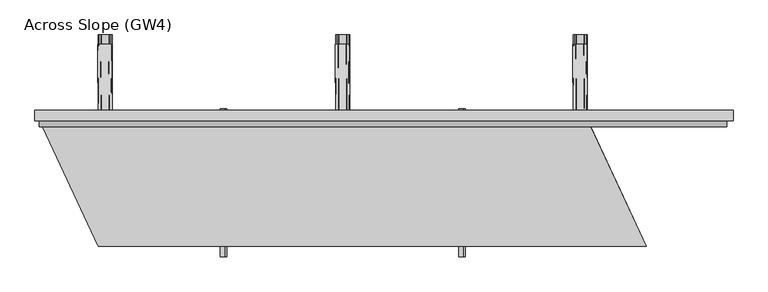
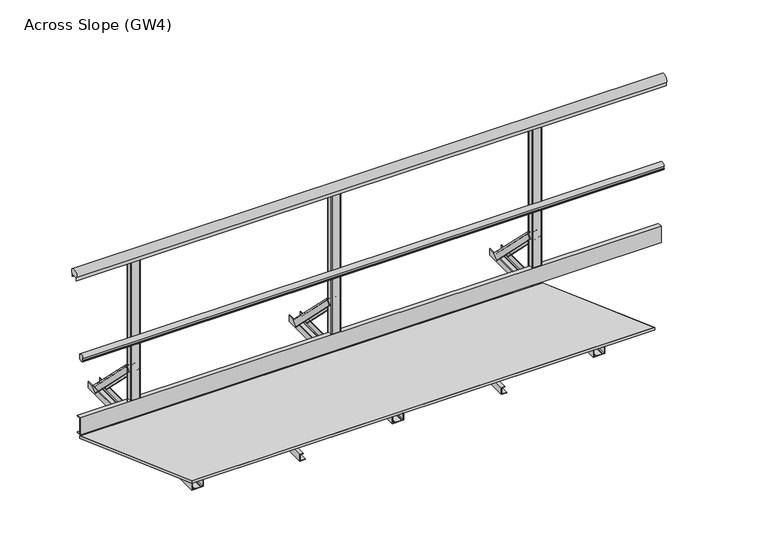
"""IFC4 building model written with IfcOpenShell, lengths in millimetres: proxy geometry, Across Slope (GW4)."""

from ifc_helpers import new_model, si_unit, point, frame, frame_2d, origin, origin_with_axes, place, context, project, spatial, polyline, circle_curve, trimmed, segment, composite_curve, outline, extrude, source, transform, mapped, element, save
from ifc_brep_helpers import plane_surface, extruded_surface, advanced_brep


def across_slope_gw4_d90a7bcf(model_context):
    return source(origin(), model_context, "Body", "SolidModel", [
        extrude(outline(polyline([(622.0, 63.0), (597.0, 63.0), (597.0, 163.0), (622.0, 163.0), (622.0, 160.0), (600.0, 160.0), (600.0, 66.0), (622.0, 66.0), (622.0, 63.0)])), frame((0.0, 0.0, 0.0), z_axis=(1.0, 0.0, 0.0), x_axis=(0.0, 1.0, 0.0)), (0.0, 0.0, 1.0), 3252.9381096),
        extrude(outline(composite_curve([segment(polyline([(565.7, 520.617273), (569.7, 520.617273), (569.7, 535.382727), (565.7, 535.382727)]), True, "CONTINUOUS"), segment(trimmed(circle_curve(frame_2d((584.287505, 528.0)), 20.0), [point((565.7, 535.382727))], [point((600.0, 540.3740657))], False, "CARTESIAN"), True, "CONTINUOUS"), segment(polyline([(600.0, 540.3740657), (600.0, 515.6259343)]), True, "CONTINUOUS"), segment(trimmed(circle_curve(frame_2d((584.287505, 528.0)), 20.0), [point((600.0, 515.6259343))], [point((565.7, 520.617273))], False, "CARTESIAN"), True, "CONTINUOUS")], self_intersect=False)), frame((0.0, 0.0, 0.0), z_axis=(1.0, 0.0, 0.0), x_axis=(0.0, 1.0, 0.0)), (0.0, 0.0, 1.0), 3252.9381096),
        extrude(outline(composite_curve([segment(polyline([(640.0, 1001.43534), (640.0, 983.0), (639.0, 983.0), (639.0, 998.0), (599.0, 998.0), (599.0, 983.0), (598.0, 983.0), (598.0, 1001.43534)]), True, "CONTINUOUS"), segment(trimmed(circle_curve(frame_2d((619.0, 1015.0)), 25.0), [point((598.0, 1001.43534))], [point((640.0, 1001.43534))], False, "CARTESIAN"), True, "CONTINUOUS")], self_intersect=False)), frame((-20.0, 0.0, 0.0), z_axis=(1.0, 0.0, 0.0), x_axis=(0.0, 1.0, 0.0)), (0.0, 0.0, 1.0), 3302.9381096),
        extrude(outline(polyline([(2e-07, 2015.7035822), (2.0000002, 2015.7035822), (2.0000002, 1987.7035822), (38.0000002, 1987.7035822), (38.0000002, 2005.7035822), (40.0000002, 2005.7035822), (40.0000002, 1985.7035822), (2e-07, 1985.7035822), (2e-07, 2015.7035822)])), frame((0.0, -50.0, 0.0), z_axis=(0.0, 1.0, 0.0), x_axis=(0.0, 0.0, 1.0)), (0.0, 0.0, 1.0), 700.0),
        extrude(outline(polyline([(2e-07, 887.2345274), (2.0000002, 887.2345274), (2.0000002, 859.2345274), (38.0000002, 859.2345274), (38.0000002, 877.2345274), (40.0000002, 877.2345274), (40.0000002, 857.2345274), (2e-07, 857.2345274), (2e-07, 887.2345274)])), frame((0.0, -50.0, 0.0), z_axis=(0.0, 1.0, 0.0), x_axis=(0.0, 0.0, 1.0)), (0.0, 0.0, 1.0), 700.0),
        extrude(outline(composite_curve([segment(polyline([(1459.4690548, 600.0), (1413.4690548, 600.0)]), True, "CONTINUOUS"), segment(trimmed(circle_curve(frame_2d((1413.4690548, 605.0)), 5.0), [point((1413.4690548, 600.0))], [point((1408.4690548, 605.0))], False, "CARTESIAN"), True, "CONTINUOUS"), segment(polyline([(1408.4690548, 605.0), (1408.4690548, 633.0)]), True, "CONTINUOUS"), segment(trimmed(circle_curve(frame_2d((1413.4690548, 633.0)), 5.0), [point((1408.4690548, 633.0))], [point((1413.4690548, 638.0))], False, "CARTESIAN"), True, "CONTINUOUS"), segment(polyline([(1413.4690548, 638.0), (1459.4690548, 638.0)]), True, "CONTINUOUS"), segment(trimmed(circle_curve(frame_2d((1459.4690548, 633.0)), 5.0), [point((1459.4690548, 638.0))], [point((1464.4690548, 633.0))], False, "CARTESIAN"), True, "CONTINUOUS"), segment(polyline([(1464.4690548, 633.0), (1464.4690548, 605.0)]), True, "CONTINUOUS"), segment(trimmed(circle_curve(frame_2d((1459.4690548, 605.0)), 5.0), [point((1464.4690548, 605.0))], [point((1459.4690548, 600.0))], False, "CARTESIAN"), True, "CONTINUOUS")], self_intersect=False)), origin_with_axes(), (0.0, 0.0, 1.0), 998.0),
        advanced_brep(
        [(1400.9690548, 956.2087394, 38.0), (1465.9690548, 956.2087394, 38.0), (1465.9690548, 930.3993419, 12.1906025), (1462.9690548, 930.3993419, 12.1906025), (1462.9690548, 954.0874191, 35.8786797), (1452.9690548, 954.0874191, 35.8786797), (1452.9690548, 952.3196521, 34.1109127), (1451.9690548, 952.3196521, 34.1109127), (1451.9690548, 954.0874191, 35.8786797), (1414.9690548, 954.0874191, 35.8786797), (1414.9690548, 952.3196521, 34.1109127), (1413.9690548, 952.3196521, 34.1109127), (1413.9690548, 954.0874191, 35.8786797), (1403.9690548, 954.0874191, 35.8786797), (1403.9690548, 930.3993419, 12.1906025), (1400.9690548, 930.3993419, 12.1906025), (1403.9690548, 638.0106879, 356.1980516), (1403.9690548, 612.2012904, 330.3886541), (1406.9690548, 612.2012904, 330.3886541), (1406.9690548, 635.8893676, 354.0767312), (1416.9690548, 635.8893676, 354.0767312), (1416.9690548, 634.1216006, 352.3089643), (1417.9690548, 634.1216006, 352.3089643), (1417.9690548, 635.8893676, 354.0767312), (1454.9690548, 635.8893676, 354.0767312), (1454.9690548, 634.1216006, 352.3089643), (1455.9690548, 634.1216006, 352.3089643), (1455.9690548, 635.8893676, 354.0767312), (1465.9690548, 635.8893676, 354.0767312), (1465.9690548, 612.2012904, 330.3886541), (1468.9690548, 612.2012904, 330.3886541), (1468.9690548, 638.0106879, 356.1980516)],
        [
            (0, 1),
            (1, 2),
            (2, 3, circle_curve(frame((1464.4690548, 930.3993419, 12.1906025), z_axis=(0.0, 0.7071067811865434, -0.7071067811865518), x_axis=(0.0, -0.7071067811865518, -0.7071067811865434)), 1.5)),
            (3, 4),
            (4, 5),
            (5, 6),
            (6, 7, circle_curve(frame((1452.4690548, 952.3196521, 34.1109127), z_axis=(0.0, 0.7071067811865434, -0.7071067811865518), x_axis=(0.0, -0.7071067811865518, -0.7071067811865434)), 0.5)),
            (7, 8),
            (8, 9),
            (9, 10),
            (10, 11, circle_curve(frame((1414.4690548, 952.3196521, 34.1109127), z_axis=(0.0, 0.7071067811865434, -0.7071067811865518), x_axis=(0.0, -0.7071067811865518, -0.7071067811865434)), 0.5)),
            (11, 12),
            (12, 13),
            (13, 14),
            (14, 15, circle_curve(frame((1402.4690548, 930.3993419, 12.1906025), z_axis=(0.0, 0.7071067811865434, -0.7071067811865518), x_axis=(0.0, -0.7071067811865518, -0.7071067811865434)), 1.5)),
            (15, 0),
            (16, 17),
            (17, 18, circle_curve(frame((1405.4690548, 612.2012904, 330.3886541), z_axis=(0.0, -0.7071067811865434, 0.7071067811865518), x_axis=(0.0, -0.7071067811865518, -0.7071067811865434)), 1.5)),
            (18, 19),
            (19, 20),
            (20, 21),
            (21, 22, circle_curve(frame((1417.4690548, 634.1216006, 352.3089643), z_axis=(0.0, -0.7071067811865434, 0.7071067811865518), x_axis=(0.0, -0.7071067811865518, -0.7071067811865434)), 0.5)),
            (22, 23),
            (23, 24),
            (24, 25),
            (25, 26, circle_curve(frame((1455.4690548, 634.1216006, 352.3089643), z_axis=(0.0, -0.7071067811865434, 0.7071067811865518), x_axis=(0.0, -0.7071067811865518, -0.7071067811865434)), 0.5)),
            (26, 27),
            (27, 28),
            (28, 29),
            (29, 30, circle_curve(frame((1467.4690548, 612.2012904, 330.3886541), z_axis=(0.0, -0.7071067811865434, 0.7071067811865518), x_axis=(0.0, -0.7071067811865518, -0.7071067811865434)), 1.5)),
            (30, 31),
            (31, 16),
            (16, 0),
            (15, 17),
            (14, 18),
            (13, 19),
            (12, 20),
            (11, 21),
            (10, 22),
            (9, 23),
            (8, 24),
            (7, 25),
            (6, 26),
            (5, 27),
            (4, 28),
            (3, 29),
            (2, 30),
            (1, 31),
        ],
        [
            plane_surface(frame((1433.4690548, 947.9886231, 29.7798837), z_axis=(0.0, 0.7071067811865431, -0.7071067811865519), x_axis=(0.0, -0.7071067811865519, -0.7071067811865431))),
            plane_surface(frame((1436.4690548, 629.7905716, 347.9779352), z_axis=(0.0, -0.7071067811865432, 0.7071067811865518), x_axis=(0.0, -0.7071067811865518, -0.7071067811865432))),
            plane_surface(frame((1403.9690548, 625.1059891, 343.2933528), z_axis=(-0.9999777785184911, -0.004713940454842056, 0.00471394045484199), x_axis=(0.0, -0.7071067811865519, -0.7071067811865431))),
            extruded_surface(trimmed(circle_curve(frame((1402.4690548, 930.3993419, 12.1906025), z_axis=(0.0, -0.7071067811865434, 0.7071067811865518), x_axis=(0.0, -0.7071067811865518, -0.7071067811865434)), 1.5), [point((1400.9690548, 930.3993419, 12.1906025))], [point((1403.9690548, 930.3993419, 12.1906025))], True, "CARTESIAN"), (3.0, -318.1980515, 318.1980516), 450.0099999115941),
            plane_surface(frame((1406.9690548, 624.045329, 342.2326926), z_axis=(0.9999777785184913, 0.004713940454842056, -0.004713940454841989), x_axis=(0.0, 0.707106781186552, 0.7071067811865432))),
            plane_surface(frame((1411.9690548, 635.8893676, 354.0767312), z_axis=(0.0, -0.7071067811865522, -0.7071067811865428), x_axis=(1.0, 0.0, 0.0))),
            plane_surface(frame((1416.9690548, 635.0054841, 353.1928478), z_axis=(-0.9999777785184911, -0.004713940454842032, 0.004713940454842015), x_axis=(0.0, -0.7071067811865557, -0.7071067811865394))),
            extruded_surface(trimmed(circle_curve(frame((1414.4690548, 952.3196521, 34.1109127), z_axis=(0.0, -0.7071067811865434, 0.7071067811865518), x_axis=(0.0, -0.7071067811865518, -0.7071067811865434)), 0.5), [point((1413.9690548, 952.3196521, 34.1109127))], [point((1414.9690548, 952.3196521, 34.1109127))], True, "CARTESIAN"), (3.0, -318.1980515, 318.1980516), 450.0099999115941),
            plane_surface(frame((1417.9690548, 635.0054841, 353.1928478), z_axis=(0.9999777785184911, 0.004713940454842046, -0.004713940454842029), x_axis=(0.0, 0.7071067811865557, 0.7071067811865394))),
            plane_surface(frame((1436.4690548, 635.8893676, 354.0767312), z_axis=(0.0, -0.7071067811865522, -0.7071067811865428), x_axis=(1.0, 0.0, 0.0))),
            plane_surface(frame((1454.9690548, 635.0054841, 353.1928478), z_axis=(-0.9999777785184911, -0.004713940454842039, 0.004713940454842022), x_axis=(0.0, -0.7071067811865557, -0.7071067811865394))),
            extruded_surface(trimmed(circle_curve(frame((1452.4690548, 952.3196521, 34.1109127), z_axis=(0.0, -0.7071067811865434, 0.7071067811865518), x_axis=(0.0, -0.7071067811865518, -0.7071067811865434)), 0.5), [point((1451.9690548, 952.3196521, 34.1109127))], [point((1452.9690548, 952.3196521, 34.1109127))], True, "CARTESIAN"), (3.0, -318.1980515, 318.1980516), 450.0099999115941),
            plane_surface(frame((1455.9690548, 635.0054841, 353.1928478), z_axis=(0.9999777785184911, 0.004713940454842066, -0.004713940454841993), x_axis=(0.0, 0.7071067811865515, 0.7071067811865436))),
            plane_surface(frame((1460.9690548, 635.8893676, 354.0767312), z_axis=(0.0, -0.707106781186552, -0.707106781186543), x_axis=(1.0, 0.0, 0.0))),
            plane_surface(frame((1465.9690548, 624.045329, 342.2326926), z_axis=(-0.9999777785184913, -0.004713940454842063, 0.004713940454841996), x_axis=(0.0, -0.707106781186552, -0.7071067811865432))),
            extruded_surface(trimmed(circle_curve(frame((1464.4690548, 930.3993419, 12.1906025), z_axis=(0.0, -0.7071067811865434, 0.7071067811865518), x_axis=(0.0, -0.7071067811865518, -0.7071067811865434)), 1.5), [point((1462.9690548, 930.3993419, 12.1906025))], [point((1465.9690548, 930.3993419, 12.1906025))], True, "CARTESIAN"), (3.0, -318.1980515, 318.1980516), 450.0099999115941),
            plane_surface(frame((1468.9690548, 625.1059891, 343.2933528), z_axis=(0.9999777785184911, 0.004713940454842065, -0.0047139404548419955), x_axis=(0.0, 0.7071067811865517, 0.7071067811865434))),
            plane_surface(frame((1436.4690548, 638.0106879, 356.1980516), z_axis=(0.0, 0.7071067811865523, 0.7071067811865427), x_axis=(-1.0, 0.0, 0.0))),
        ],
        [
            (0, [[1, 2, 3, 4, 5, 6, 7, 8, 9, 10, 11, 12, 13, 14, 15, 16]]),
            (1, [[17, 18, 19, 20, 21, 22, 23, 24, 25, 26, 27, 28, 29, 30, 31, 32]]),
            (2, [[33, -16, 34, -17]]),
            (3, [[-34, -15, 35, -18]]),
            (4, [[-35, -14, 36, -19]]),
            (5, [[-36, -13, 37, -20]]),
            (6, [[-37, -12, 38, -21]]),
            (7, [[-38, -11, 39, -22]]),
            (8, [[-39, -10, 40, -23]]),
            (9, [[-40, -9, 41, -24]]),
            (10, [[-41, -8, 42, -25]]),
            (11, [[-42, -7, 43, -26]]),
            (12, [[-43, -6, 44, -27]]),
            (13, [[-44, -5, 45, -28]]),
            (14, [[-45, -4, 46, -29]]),
            (15, [[-46, -3, 47, -30]]),
            (16, [[-47, -2, 48, -31]]),
            (17, [[-48, -1, -33, -32]]),
        ],
    ),
        extrude(outline(composite_curve([segment(polyline([(0.0, 1403.9690548), (0.0, 1468.9690548), (36.5, 1468.9690548)]), True, "CONTINUOUS"), segment(trimmed(circle_curve(frame_2d((36.5, 1467.4690548)), 1.5), [point((36.5, 1468.9690548))], [point((36.5, 1465.9690548))], False, "CARTESIAN"), True, "CONTINUOUS"), segment(polyline([(36.5, 1465.9690548), (3.0, 1465.9690548), (3.0, 1455.9690548), (5.5, 1455.9690548)]), True, "CONTINUOUS"), segment(trimmed(circle_curve(frame_2d((5.5, 1455.4690548)), 0.5), [point((5.5, 1455.9690548))], [point((5.5, 1454.9690548))], False, "CARTESIAN"), True, "CONTINUOUS"), segment(polyline([(5.5, 1454.9690548), (3.0, 1454.9690548), (3.0, 1417.9690548), (5.5, 1417.9690548)]), True, "CONTINUOUS"), segment(trimmed(circle_curve(frame_2d((5.5, 1417.4690548)), 0.5), [point((5.5, 1417.9690548))], [point((5.5, 1416.9690548))], False, "CARTESIAN"), True, "CONTINUOUS"), segment(polyline([(5.5, 1416.9690548), (3.0, 1416.9690548), (3.0, 1406.9690548), (36.5, 1406.9690548)]), True, "CONTINUOUS"), segment(trimmed(circle_curve(frame_2d((36.5, 1405.4690548)), 1.5), [point((36.5, 1406.9690548))], [point((36.5, 1403.9690548))], False, "CARTESIAN"), True, "CONTINUOUS"), segment(polyline([(36.5, 1403.9690548), (0.0, 1403.9690548)]), True, "CONTINUOUS")], self_intersect=False)), frame((0.0, 0.0, 0.0), z_axis=(0.0, 1.0, 0.0), x_axis=(0.0, 0.0, 1.0)), (0.0, 0.0, 1.0), 1000.0),
        extrude(outline(composite_curve([segment(polyline([(2583.4381096, 600.0), (2537.4381096, 600.0)]), True, "CONTINUOUS"), segment(trimmed(circle_curve(frame_2d((2537.4381096, 605.0)), 5.0), [point((2537.4381096, 600.0))], [point((2532.4381096, 605.0))], False, "CARTESIAN"), True, "CONTINUOUS"), segment(polyline([(2532.4381096, 605.0), (2532.4381096, 633.0)]), True, "CONTINUOUS"), segment(trimmed(circle_curve(frame_2d((2537.4381096, 633.0)), 5.0), [point((2532.4381096, 633.0))], [point((2537.4381096, 638.0))], False, "CARTESIAN"), True, "CONTINUOUS"), segment(polyline([(2537.4381096, 638.0), (2583.4381096, 638.0)]), True, "CONTINUOUS"), segment(trimmed(circle_curve(frame_2d((2583.4381096, 633.0)), 5.0), [point((2583.4381096, 638.0))], [point((2588.4381096, 633.0))], False, "CARTESIAN"), True, "CONTINUOUS"), segment(polyline([(2588.4381096, 633.0), (2588.4381096, 605.0)]), True, "CONTINUOUS"), segment(trimmed(circle_curve(frame_2d((2583.4381096, 605.0)), 5.0), [point((2588.4381096, 605.0))], [point((2583.4381096, 600.0))], False, "CARTESIAN"), True, "CONTINUOUS")], self_intersect=False)), origin_with_axes(), (0.0, 0.0, 1.0), 998.0),
        advanced_brep(
        [(2524.9381096, 956.2087394, 38.0), (2589.9381096, 956.2087394, 38.0), (2589.9381096, 930.3993419, 12.1906025), (2586.9381096, 930.3993419, 12.1906025), (2586.9381096, 954.0874191, 35.8786797), (2576.9381096, 954.0874191, 35.8786797), (2576.9381096, 952.3196521, 34.1109127), (2575.9381096, 952.3196521, 34.1109127), (2575.9381096, 954.0874191, 35.8786797), (2538.9381096, 954.0874191, 35.8786797), (2538.9381096, 952.3196521, 34.1109127), (2537.9381096, 952.3196521, 34.1109127), (2537.9381096, 954.0874191, 35.8786797), (2527.9381096, 954.0874191, 35.8786797), (2527.9381096, 930.3993419, 12.1906025), (2524.9381096, 930.3993419, 12.1906025), (2527.9381096, 638.0106879, 356.1980516), (2527.9381096, 612.2012904, 330.3886541), (2530.9381096, 612.2012904, 330.3886541), (2530.9381096, 635.8893676, 354.0767312), (2540.9381096, 635.8893676, 354.0767312), (2540.9381096, 634.1216006, 352.3089643), (2541.9381096, 634.1216006, 352.3089643), (2541.9381096, 635.8893676, 354.0767312), (2578.9381096, 635.8893676, 354.0767312), (2578.9381096, 634.1216006, 352.3089643), (2579.9381096, 634.1216006, 352.3089643), (2579.9381096, 635.8893676, 354.0767312), (2589.9381096, 635.8893676, 354.0767312), (2589.9381096, 612.2012904, 330.3886541), (2592.9381096, 612.2012904, 330.3886541), (2592.9381096, 638.0106879, 356.1980516)],
        [
            (0, 1),
            (1, 2),
            (2, 3, circle_curve(frame((2588.4381096, 930.3993419, 12.1906025), z_axis=(0.0, 0.7071067811865434, -0.7071067811865518), x_axis=(0.0, -0.7071067811865518, -0.7071067811865434)), 1.5)),
            (3, 4),
            (4, 5),
            (5, 6),
            (6, 7, circle_curve(frame((2576.4381096, 952.3196521, 34.1109127), z_axis=(0.0, 0.7071067811865434, -0.7071067811865518), x_axis=(0.0, -0.7071067811865518, -0.7071067811865434)), 0.5)),
            (7, 8),
            (8, 9),
            (9, 10),
            (10, 11, circle_curve(frame((2538.4381096, 952.3196521, 34.1109127), z_axis=(0.0, 0.7071067811865434, -0.7071067811865518), x_axis=(0.0, -0.7071067811865518, -0.7071067811865434)), 0.5)),
            (11, 12),
            (12, 13),
            (13, 14),
            (14, 15, circle_curve(frame((2526.4381096, 930.3993419, 12.1906025), z_axis=(0.0, 0.7071067811865434, -0.7071067811865518), x_axis=(0.0, -0.7071067811865518, -0.7071067811865434)), 1.5)),
            (15, 0),
            (16, 17),
            (17, 18, circle_curve(frame((2529.4381096, 612.2012904, 330.3886541), z_axis=(0.0, -0.7071067811865434, 0.7071067811865518), x_axis=(0.0, -0.7071067811865518, -0.7071067811865434)), 1.5)),
            (18, 19),
            (19, 20),
            (20, 21),
            (21, 22, circle_curve(frame((2541.4381096, 634.1216006, 352.3089643), z_axis=(0.0, -0.7071067811865434, 0.7071067811865518), x_axis=(0.0, -0.7071067811865518, -0.7071067811865434)), 0.5)),
            (22, 23),
            (23, 24),
            (24, 25),
            (25, 26, circle_curve(frame((2579.4381096, 634.1216006, 352.3089643), z_axis=(0.0, -0.7071067811865434, 0.7071067811865518), x_axis=(0.0, -0.7071067811865518, -0.7071067811865434)), 0.5)),
            (26, 27),
            (27, 28),
            (28, 29),
            (29, 30, circle_curve(frame((2591.4381096, 612.2012904, 330.3886541), z_axis=(0.0, -0.7071067811865434, 0.7071067811865518), x_axis=(0.0, -0.7071067811865518, -0.7071067811865434)), 1.5)),
            (30, 31),
            (31, 16),
            (16, 0),
            (15, 17),
            (14, 18),
            (13, 19),
            (12, 20),
            (11, 21),
            (10, 22),
            (9, 23),
            (8, 24),
            (7, 25),
            (6, 26),
            (5, 27),
            (4, 28),
            (3, 29),
            (2, 30),
            (1, 31),
        ],
        [
            plane_surface(frame((2557.4381096, 947.9886231, 29.7798837), z_axis=(0.0, 0.7071067811865431, -0.7071067811865519), x_axis=(0.0, -0.7071067811865519, -0.7071067811865431))),
            plane_surface(frame((2560.4381096, 629.7905716, 347.9779352), z_axis=(0.0, -0.7071067811865432, 0.7071067811865518), x_axis=(0.0, -0.7071067811865518, -0.7071067811865432))),
            plane_surface(frame((2527.9381096, 625.1059891, 343.2933528), z_axis=(-0.9999777785184911, -0.004713940454842056, 0.00471394045484199), x_axis=(0.0, -0.7071067811865519, -0.7071067811865431))),
            extruded_surface(trimmed(circle_curve(frame((2526.4381096, 930.3993419, 12.1906025), z_axis=(0.0, -0.7071067811865434, 0.7071067811865518), x_axis=(0.0, -0.7071067811865518, -0.7071067811865434)), 1.5), [point((2524.9381096, 930.3993419, 12.1906025))], [point((2527.9381096, 930.3993419, 12.1906025))], True, "CARTESIAN"), (3.0, -318.1980515, 318.1980516), 450.0099999115941),
            plane_surface(frame((2530.9381096, 624.045329, 342.2326926), z_axis=(0.9999777785184913, 0.004713940454842056, -0.004713940454841989), x_axis=(0.0, 0.707106781186552, 0.7071067811865432))),
            plane_surface(frame((2535.9381096, 635.8893676, 354.0767312), z_axis=(0.0, -0.7071067811865522, -0.7071067811865428), x_axis=(1.0, 0.0, 0.0))),
            plane_surface(frame((2540.9381096, 635.0054841, 353.1928478), z_axis=(-0.9999777785184911, -0.004713940454842032, 0.004713940454842015), x_axis=(0.0, -0.7071067811865557, -0.7071067811865394))),
            extruded_surface(trimmed(circle_curve(frame((2538.4381096, 952.3196521, 34.1109127), z_axis=(0.0, -0.7071067811865434, 0.7071067811865518), x_axis=(0.0, -0.7071067811865518, -0.7071067811865434)), 0.5), [point((2537.9381096, 952.3196521, 34.1109127))], [point((2538.9381096, 952.3196521, 34.1109127))], True, "CARTESIAN"), (3.0, -318.1980515, 318.1980516), 450.0099999115941),
            plane_surface(frame((2541.9381096, 635.0054841, 353.1928478), z_axis=(0.9999777785184911, 0.004713940454842046, -0.004713940454842029), x_axis=(0.0, 0.7071067811865557, 0.7071067811865394))),
            plane_surface(frame((2560.4381096, 635.8893676, 354.0767312), z_axis=(0.0, -0.7071067811865522, -0.7071067811865428), x_axis=(1.0, 0.0, 0.0))),
            plane_surface(frame((2578.9381096, 635.0054841, 353.1928478), z_axis=(-0.9999777785184911, -0.004713940454842039, 0.004713940454842022), x_axis=(0.0, -0.7071067811865557, -0.7071067811865394))),
            extruded_surface(trimmed(circle_curve(frame((2576.4381096, 952.3196521, 34.1109127), z_axis=(0.0, -0.7071067811865434, 0.7071067811865518), x_axis=(0.0, -0.7071067811865518, -0.7071067811865434)), 0.5), [point((2575.9381096, 952.3196521, 34.1109127))], [point((2576.9381096, 952.3196521, 34.1109127))], True, "CARTESIAN"), (3.0, -318.1980515, 318.1980516), 450.0099999115941),
            plane_surface(frame((2579.9381096, 635.0054841, 353.1928478), z_axis=(0.9999777785184911, 0.004713940454842066, -0.004713940454841993), x_axis=(0.0, 0.7071067811865515, 0.7071067811865436))),
            plane_surface(frame((2584.9381096, 635.8893676, 354.0767312), z_axis=(0.0, -0.707106781186552, -0.707106781186543), x_axis=(1.0, 0.0, 0.0))),
            plane_surface(frame((2589.9381096, 624.045329, 342.2326926), z_axis=(-0.9999777785184913, -0.004713940454842063, 0.004713940454841996), x_axis=(0.0, -0.707106781186552, -0.7071067811865432))),
            extruded_surface(trimmed(circle_curve(frame((2588.4381096, 930.3993419, 12.1906025), z_axis=(0.0, -0.7071067811865434, 0.7071067811865518), x_axis=(0.0, -0.7071067811865518, -0.7071067811865434)), 1.5), [point((2586.9381096, 930.3993419, 12.1906025))], [point((2589.9381096, 930.3993419, 12.1906025))], True, "CARTESIAN"), (3.0, -318.1980515, 318.1980516), 450.0099999115941),
            plane_surface(frame((2592.9381096, 625.1059891, 343.2933528), z_axis=(0.9999777785184911, 0.004713940454842065, -0.0047139404548419955), x_axis=(0.0, 0.7071067811865517, 0.7071067811865434))),
            plane_surface(frame((2560.4381096, 638.0106879, 356.1980516), z_axis=(0.0, 0.7071067811865523, 0.7071067811865427), x_axis=(-1.0, 0.0, 0.0))),
        ],
        [
            (0, [[1, 2, 3, 4, 5, 6, 7, 8, 9, 10, 11, 12, 13, 14, 15, 16]]),
            (1, [[17, 18, 19, 20, 21, 22, 23, 24, 25, 26, 27, 28, 29, 30, 31, 32]]),
            (2, [[33, -16, 34, -17]]),
            (3, [[-34, -15, 35, -18]]),
            (4, [[-35, -14, 36, -19]]),
            (5, [[-36, -13, 37, -20]]),
            (6, [[-37, -12, 38, -21]]),
            (7, [[-38, -11, 39, -22]]),
            (8, [[-39, -10, 40, -23]]),
            (9, [[-40, -9, 41, -24]]),
            (10, [[-41, -8, 42, -25]]),
            (11, [[-42, -7, 43, -26]]),
            (12, [[-43, -6, 44, -27]]),
            (13, [[-44, -5, 45, -28]]),
            (14, [[-45, -4, 46, -29]]),
            (15, [[-46, -3, 47, -30]]),
            (16, [[-47, -2, 48, -31]]),
            (17, [[-48, -1, -33, -32]]),
        ],
    ),
        extrude(outline(composite_curve([segment(polyline([(0.0, 2527.9381096), (0.0, 2592.9381096), (36.5, 2592.9381096)]), True, "CONTINUOUS"), segment(trimmed(circle_curve(frame_2d((36.5, 2591.4381096)), 1.5), [point((36.5, 2592.9381096))], [point((36.5, 2589.9381096))], False, "CARTESIAN"), True, "CONTINUOUS"), segment(polyline([(36.5, 2589.9381096), (3.0, 2589.9381096), (3.0, 2579.9381096), (5.5, 2579.9381096)]), True, "CONTINUOUS"), segment(trimmed(circle_curve(frame_2d((5.5, 2579.4381096)), 0.5), [point((5.5, 2579.9381096))], [point((5.5, 2578.9381096))], False, "CARTESIAN"), True, "CONTINUOUS"), segment(polyline([(5.5, 2578.9381096), (3.0, 2578.9381096), (3.0, 2541.9381096), (5.5, 2541.9381096)]), True, "CONTINUOUS"), segment(trimmed(circle_curve(frame_2d((5.5, 2541.4381096)), 0.5), [point((5.5, 2541.9381096))], [point((5.5, 2540.9381096))], False, "CARTESIAN"), True, "CONTINUOUS"), segment(polyline([(5.5, 2540.9381096), (3.0, 2540.9381096), (3.0, 2530.9381096), (36.5, 2530.9381096)]), True, "CONTINUOUS"), segment(trimmed(circle_curve(frame_2d((36.5, 2529.4381096)), 1.5), [point((36.5, 2530.9381096))], [point((36.5, 2527.9381096))], False, "CARTESIAN"), True, "CONTINUOUS"), segment(polyline([(36.5, 2527.9381096), (0.0, 2527.9381096)]), True, "CONTINUOUS")], self_intersect=False)), frame((0.0, 0.0, 0.0), z_axis=(0.0, 1.0, 0.0), x_axis=(0.0, 0.0, 1.0)), (0.0, 0.0, 1.0), 1000.0),
        extrude(outline(composite_curve([segment(polyline([(335.5, 600.0), (289.5, 600.0)]), True, "CONTINUOUS"), segment(trimmed(circle_curve(frame_2d((289.5, 605.0)), 5.0), [point((289.5, 600.0))], [point((284.5, 605.0))], False, "CARTESIAN"), True, "CONTINUOUS"), segment(polyline([(284.5, 605.0), (284.5, 633.0)]), True, "CONTINUOUS"), segment(trimmed(circle_curve(frame_2d((289.5, 633.0)), 5.0), [point((284.5, 633.0))], [point((289.5, 638.0))], False, "CARTESIAN"), True, "CONTINUOUS"), segment(polyline([(289.5, 638.0), (335.5, 638.0)]), True, "CONTINUOUS"), segment(trimmed(circle_curve(frame_2d((335.5, 633.0)), 5.0), [point((335.5, 638.0))], [point((340.5, 633.0))], False, "CARTESIAN"), True, "CONTINUOUS"), segment(polyline([(340.5, 633.0), (340.5, 605.0)]), True, "CONTINUOUS"), segment(trimmed(circle_curve(frame_2d((335.5, 605.0)), 5.0), [point((340.5, 605.0))], [point((335.5, 600.0))], False, "CARTESIAN"), True, "CONTINUOUS")], self_intersect=False)), origin_with_axes(), (0.0, 0.0, 1.0), 998.0),
        advanced_brep(
        [(277.0, 956.2087394, 38.0), (342.0, 956.2087394, 38.0), (342.0, 930.3993419, 12.1906025), (339.0, 930.3993419, 12.1906025), (339.0, 954.0874191, 35.8786797), (329.0, 954.0874191, 35.8786797), (329.0, 952.3196521, 34.1109127), (328.0, 952.3196521, 34.1109127), (328.0, 954.0874191, 35.8786797), (291.0, 954.0874191, 35.8786797), (291.0, 952.3196521, 34.1109127), (290.0, 952.3196521, 34.1109127), (290.0, 954.0874191, 35.8786797), (280.0, 954.0874191, 35.8786797), (280.0, 930.3993419, 12.1906025), (277.0, 930.3993419, 12.1906025), (280.0, 638.0106879, 356.1980515), (280.0, 612.2012904, 330.388654), (283.0, 612.2012904, 330.388654), (283.0, 635.8893676, 354.0767312), (293.0, 635.8893676, 354.0767312), (293.0, 634.1216006, 352.3089642), (294.0, 634.1216006, 352.3089642), (294.0, 635.8893676, 354.0767312), (331.0, 635.8893676, 354.0767312), (331.0, 634.1216006, 352.3089642), (332.0, 634.1216006, 352.3089642), (332.0, 635.8893676, 354.0767312), (342.0, 635.8893676, 354.0767312), (342.0, 612.2012904, 330.388654), (345.0, 612.2012904, 330.388654), (345.0, 638.0106879, 356.1980515)],
        [
            (0, 1),
            (1, 2),
            (2, 3, circle_curve(frame((340.5, 930.3993419, 12.1906025), z_axis=(0.0, 0.7071067811865434, -0.7071067811865518), x_axis=(0.0, -0.7071067811865518, -0.7071067811865434)), 1.5)),
            (3, 4),
            (4, 5),
            (5, 6),
            (6, 7, circle_curve(frame((328.5, 952.3196521, 34.1109127), z_axis=(0.0, 0.7071067811865434, -0.7071067811865518), x_axis=(0.0, -0.7071067811865518, -0.7071067811865434)), 0.5)),
            (7, 8),
            (8, 9),
            (9, 10),
            (10, 11, circle_curve(frame((290.5, 952.3196521, 34.1109127), z_axis=(0.0, 0.7071067811865434, -0.7071067811865518), x_axis=(0.0, -0.7071067811865518, -0.7071067811865434)), 0.5)),
            (11, 12),
            (12, 13),
            (13, 14),
            (14, 15, circle_curve(frame((278.5, 930.3993419, 12.1906025), z_axis=(0.0, 0.7071067811865434, -0.7071067811865518), x_axis=(0.0, -0.7071067811865518, -0.7071067811865434)), 1.5)),
            (15, 0),
            (16, 17),
            (17, 18, circle_curve(frame((281.5, 612.2012904, 330.388654), z_axis=(0.0, -0.7071067811865434, 0.7071067811865518), x_axis=(0.0, -0.7071067811865518, -0.7071067811865434)), 1.5)),
            (18, 19),
            (19, 20),
            (20, 21),
            (21, 22, circle_curve(frame((293.5, 634.1216006, 352.3089642), z_axis=(0.0, -0.7071067811865434, 0.7071067811865518), x_axis=(0.0, -0.7071067811865518, -0.7071067811865434)), 0.5)),
            (22, 23),
            (23, 24),
            (24, 25),
            (25, 26, circle_curve(frame((331.5, 634.1216006, 352.3089642), z_axis=(0.0, -0.7071067811865434, 0.7071067811865518), x_axis=(0.0, -0.7071067811865518, -0.7071067811865434)), 0.5)),
            (26, 27),
            (27, 28),
            (28, 29),
            (29, 30, circle_curve(frame((343.5, 612.2012904, 330.388654), z_axis=(0.0, -0.7071067811865434, 0.7071067811865518), x_axis=(0.0, -0.7071067811865518, -0.7071067811865434)), 1.5)),
            (30, 31),
            (31, 16),
            (16, 0),
            (15, 17),
            (14, 18),
            (13, 19),
            (12, 20),
            (11, 21),
            (10, 22),
            (9, 23),
            (8, 24),
            (7, 25),
            (6, 26),
            (5, 27),
            (4, 28),
            (3, 29),
            (2, 30),
            (1, 31),
        ],
        [
            plane_surface(frame((309.5, 947.9886231, 29.7798837), z_axis=(0.0, 0.7071067811865431, -0.7071067811865519), x_axis=(0.0, -0.7071067811865519, -0.7071067811865431))),
            plane_surface(frame((312.5, 629.7905716, 347.9779352), z_axis=(0.0, -0.7071067811865432, 0.7071067811865518), x_axis=(0.0, -0.7071067811865518, -0.7071067811865432))),
            plane_surface(frame((280.0, 625.1059891, 343.2933528), z_axis=(-0.9999777785184911, -0.004713940454842056, 0.00471394045484199), x_axis=(0.0, -0.7071067811865519, -0.7071067811865431))),
            extruded_surface(trimmed(circle_curve(frame((278.5, 930.3993419, 12.1906025), z_axis=(0.0, -0.7071067811865434, 0.7071067811865518), x_axis=(0.0, -0.7071067811865518, -0.7071067811865434)), 1.5), [point((277.0, 930.3993419, 12.1906025))], [point((280.0, 930.3993419, 12.1906025))], True, "CARTESIAN"), (3.0, -318.1980515, 318.19805149999996), 450.009999840885),
            plane_surface(frame((283.0, 624.045329, 342.2326926), z_axis=(0.9999777785184913, 0.004713940454842056, -0.004713940454841989), x_axis=(0.0, 0.707106781186552, 0.7071067811865432))),
            plane_surface(frame((288.0, 635.8893676, 354.0767312), z_axis=(0.0, -0.7071067811865522, -0.7071067811865428), x_axis=(1.0, 0.0, 0.0))),
            plane_surface(frame((293.0, 635.0054841, 353.1928477), z_axis=(-0.9999777785184911, -0.004713940454842032, 0.004713940454842015), x_axis=(0.0, -0.7071067811865557, -0.7071067811865394))),
            extruded_surface(trimmed(circle_curve(frame((290.5, 952.3196521, 34.1109127), z_axis=(0.0, -0.7071067811865434, 0.7071067811865518), x_axis=(0.0, -0.7071067811865518, -0.7071067811865434)), 0.5), [point((290.0, 952.3196521, 34.1109127))], [point((291.0, 952.3196521, 34.1109127))], True, "CARTESIAN"), (3.0, -318.1980515, 318.1980515), 450.00999984088503),
            plane_surface(frame((294.0, 635.0054841, 353.1928477), z_axis=(0.9999777785184911, 0.004713940454842046, -0.004713940454842029), x_axis=(0.0, 0.7071067811865557, 0.7071067811865394))),
            plane_surface(frame((312.5, 635.8893676, 354.0767312), z_axis=(0.0, -0.7071067811865522, -0.7071067811865428), x_axis=(1.0, 0.0, 0.0))),
            plane_surface(frame((331.0, 635.0054841, 353.1928477), z_axis=(-0.9999777785184911, -0.004713940454842039, 0.004713940454842022), x_axis=(0.0, -0.7071067811865557, -0.7071067811865394))),
            extruded_surface(trimmed(circle_curve(frame((328.5, 952.3196521, 34.1109127), z_axis=(0.0, -0.7071067811865434, 0.7071067811865518), x_axis=(0.0, -0.7071067811865518, -0.7071067811865434)), 0.5), [point((328.0, 952.3196521, 34.1109127))], [point((329.0, 952.3196521, 34.1109127))], True, "CARTESIAN"), (3.0, -318.1980515, 318.1980515), 450.00999984088503),
            plane_surface(frame((332.0, 635.0054841, 353.1928477), z_axis=(0.9999777785184911, 0.004713940454842066, -0.004713940454841993), x_axis=(0.0, 0.7071067811865515, 0.7071067811865436))),
            plane_surface(frame((337.0, 635.8893676, 354.0767312), z_axis=(0.0, -0.707106781186552, -0.707106781186543), x_axis=(1.0, 0.0, 0.0))),
            plane_surface(frame((342.0, 624.045329, 342.2326926), z_axis=(-0.9999777785184913, -0.004713940454842063, 0.004713940454841996), x_axis=(0.0, -0.707106781186552, -0.7071067811865432))),
            extruded_surface(trimmed(circle_curve(frame((340.5, 930.3993419, 12.1906025), z_axis=(0.0, -0.7071067811865434, 0.7071067811865518), x_axis=(0.0, -0.7071067811865518, -0.7071067811865434)), 1.5), [point((339.0, 930.3993419, 12.1906025))], [point((342.0, 930.3993419, 12.1906025))], True, "CARTESIAN"), (3.0, -318.1980515, 318.19805149999996), 450.009999840885),
            plane_surface(frame((345.0, 625.1059891, 343.2933528), z_axis=(0.9999777785184911, 0.004713940454842065, -0.0047139404548419955), x_axis=(0.0, 0.7071067811865517, 0.7071067811865434))),
            plane_surface(frame((312.5, 638.0106879, 356.1980515), z_axis=(0.0, 0.7071067811865523, 0.7071067811865427), x_axis=(-1.0, 0.0, 0.0))),
        ],
        [
            (0, [[1, 2, 3, 4, 5, 6, 7, 8, 9, 10, 11, 12, 13, 14, 15, 16]]),
            (1, [[17, 18, 19, 20, 21, 22, 23, 24, 25, 26, 27, 28, 29, 30, 31, 32]]),
            (2, [[33, -16, 34, -17]]),
            (3, [[-34, -15, 35, -18]]),
            (4, [[-35, -14, 36, -19]]),
            (5, [[-36, -13, 37, -20]]),
            (6, [[-37, -12, 38, -21]]),
            (7, [[-38, -11, 39, -22]]),
            (8, [[-39, -10, 40, -23]]),
            (9, [[-40, -9, 41, -24]]),
            (10, [[-41, -8, 42, -25]]),
            (11, [[-42, -7, 43, -26]]),
            (12, [[-43, -6, 44, -27]]),
            (13, [[-44, -5, 45, -28]]),
            (14, [[-45, -4, 46, -29]]),
            (15, [[-46, -3, 47, -30]]),
            (16, [[-47, -2, 48, -31]]),
            (17, [[-48, -1, -33, -32]]),
        ],
    ),
        extrude(outline(composite_curve([segment(polyline([(0.0, 280.0), (0.0, 345.0), (36.5, 345.0)]), True, "CONTINUOUS"), segment(trimmed(circle_curve(frame_2d((36.5, 343.5)), 1.5), [point((36.5, 345.0))], [point((36.5, 342.0))], False, "CARTESIAN"), True, "CONTINUOUS"), segment(polyline([(36.5, 342.0), (3.0, 342.0), (3.0, 332.0), (5.5, 332.0)]), True, "CONTINUOUS"), segment(trimmed(circle_curve(frame_2d((5.5, 331.5)), 0.5), [point((5.5, 332.0))], [point((5.5, 331.0))], False, "CARTESIAN"), True, "CONTINUOUS"), segment(polyline([(5.5, 331.0), (3.0, 331.0), (3.0, 294.0), (5.5, 294.0)]), True, "CONTINUOUS"), segment(trimmed(circle_curve(frame_2d((5.5, 293.5)), 0.5), [point((5.5, 294.0))], [point((5.5, 293.0))], False, "CARTESIAN"), True, "CONTINUOUS"), segment(polyline([(5.5, 293.0), (3.0, 293.0), (3.0, 283.0), (36.5, 283.0)]), True, "CONTINUOUS"), segment(trimmed(circle_curve(frame_2d((36.5, 281.5)), 1.5), [point((36.5, 283.0))], [point((36.5, 280.0))], False, "CARTESIAN"), True, "CONTINUOUS"), segment(polyline([(36.5, 280.0), (0.0, 280.0)]), True, "CONTINUOUS")], self_intersect=False)), frame((0.0, 0.0, 0.0), z_axis=(0.0, 1.0, 0.0), x_axis=(0.0, 0.0, 1.0)), (0.0, 0.0, 1.0), 1000.0),
        extrude(outline(polyline([(2871.1530189, 1.0), (280.4216652, 1.0), (1.5696856, 599.0), (2592.3010393, 599.0), (2871.1530189, 1.0)])), frame((0.0, 0.0, 42.0), z_axis=(0.0, 0.0, 1.0), x_axis=(1.0, 0.0, 0.0)), (0.0, 0.0, 1.0), 13.0),
        extrude(outline(polyline([(2872.7227045, 0.0), (279.7845949, 0.0), (0.0, 600.0), (2592.9381096, 600.0), (2872.7227045, 0.0)]), holes=[polyline([(2871.1530189, 1.0), (2592.3010393, 599.0), (1.5696856, 599.0), (280.4216652, 1.0), (2871.1530189, 1.0)])]), frame((0.0, 0.0, 42.0), z_axis=(0.0, 0.0, 1.0), x_axis=(1.0, 0.0, 0.0)), (0.0, 0.0, 1.0), 13.0),
    ])


if __name__ == "__main__":
    model = new_model("IFC4")
    model_context = context("Model", 3, world=origin())
    ifc_project = project(units=[si_unit("LENGTHUNIT", "METRE", prefix="MILLI")], contexts=[model_context])
    site = spatial("IfcSite", under=ifc_project)
    building = spatial("IfcBuilding", under=site)
    placement = place(None, origin())
    across_slope_gw4_shape = across_slope_gw4_d90a7bcf(model_context)
    element("IfcBuildingElementProxy", 1, Name="Across Slope (GW4)", ObjectType="Across Slope (GW4)", at=placement, inside=building, context=model_context, shape_type="MappedRepresentation", body=[
        mapped(across_slope_gw4_shape, transform((0.0, 0.0, 0.0), x_axis=(1.0, 0.0, 0.0), y_axis=(0.0, 1.0, 0.0), z_axis=(0.0, 0.0, 1.0))),
    ])
    save(model, "model.ifc")
